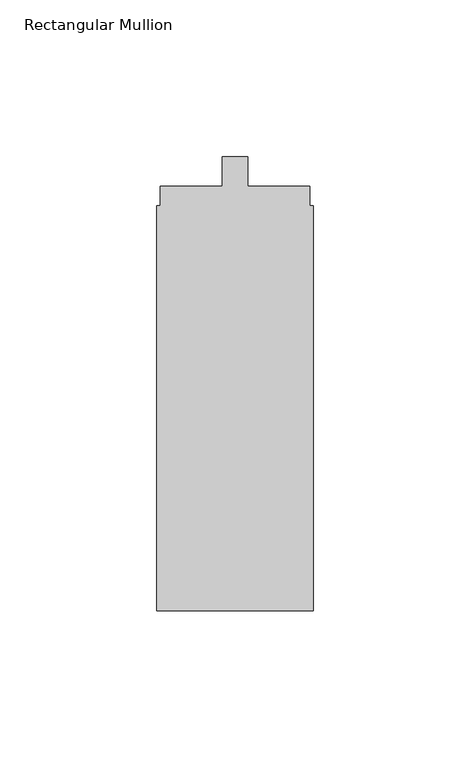
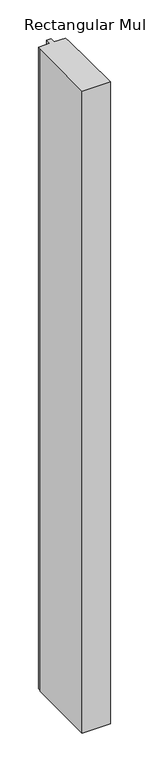
"""IFC4 building model written with IfcOpenShell, lengths in millimetres: member geometry, Rectangular Mullion."""

import ifcopenshell
import ifcopenshell.guid

model = None  # the IFC model being written
_history = None  # IfcOwnerHistory: only IFC2X3 demands one
_inside = {}  # id of a spatial element -> (the spatial element, [elements in it])
_under = {}  # id of a project, library or spatial element -> (it, [spatial elements below it])
_declared = {}  # id of a project -> (the project, [libraries it declares])
_typed = {}  # id of a type object -> (the type object, [elements of that type])
_made_of = {}  # id of a material, layer set ... -> (it, [elements and type objects made of it])


def new_model(schema):
    """Start an empty IFC model of exactly this schema.

    Asked for "IFC4X3", IfcOpenShell would pick the latest addendum, in which some entities
    have other attributes; the version numbers below select the first issue.
    IFC2X3 requires an IfcOwnerHistory on every rooted entity: one is made here for all.
    """
    global model, _history
    if schema == "IFC4X3":
        model = ifcopenshell.file(schema_version=(4, 3, 0, 0))
    else:
        model = ifcopenshell.file(schema=schema)
    _inside.clear()
    _under.clear()
    _declared.clear()
    _typed.clear()
    _made_of.clear()
    _history = None
    if model.schema == "IFC2X3":
        org = make("IfcOrganization", Name="unknown")
        user = make(
            "IfcPersonAndOrganization",
            ThePerson=make("IfcPerson", FamilyName="unknown"),
            TheOrganization=org,
        )
        app = make(
            "IfcApplication",
            ApplicationDeveloper=org,
            Version="unknown",
            ApplicationFullName="unknown",
            ApplicationIdentifier="unknown",
        )
        _history = make(
            "IfcOwnerHistory",
            OwningUser=user,
            OwningApplication=app,
            ChangeAction="ADDED",
            CreationDate=0,
        )
    return model


def make(cls, **values):
    """One entity of the class cls with the attributes given. An attribute that is None is left unset."""
    return model.create_entity(
        cls, **{name: value for name, value in values.items() if value is not None}
    )


def rooted(cls, **values):
    """An entity with a GlobalId (a new one), such as an element, a storey or a relation."""
    return make(cls, GlobalId=ifcopenshell.guid.new(), OwnerHistory=_history, **values)


def si_unit(unit_type, name, prefix=None):
    """IfcSIUnit, for example si_unit("LENGTHUNIT", "METRE", prefix="MILLI")."""
    return make("IfcSIUnit", UnitType=unit_type, Prefix=prefix, Name=name)


def assignment(units):
    """IfcUnitAssignment: the units of a project."""
    return None if units is None else make("IfcUnitAssignment", Units=units)


def point(xyz):
    """IfcCartesianPoint."""
    return None if xyz is None else make("IfcCartesianPoint", Coordinates=xyz)


def direction(xyz):
    """IfcDirection."""
    return None if xyz is None else make("IfcDirection", DirectionRatios=xyz)


def frame(location, z_axis=None, x_axis=None):
    """IfcAxis2Placement3D, a coordinate frame: its origin and axes. An axis left out is left unset."""
    return make(
        "IfcAxis2Placement3D",
        Location=point(location),
        Axis=direction(z_axis),
        RefDirection=direction(x_axis),
    )


def origin():
    """The frame at (0, 0, 0) with its axes left unset."""
    return frame((0.0, 0.0, 0.0))


def place(relative_to, where):
    """IfcLocalPlacement: puts the frame where relative to a parent placement (None: the world)."""
    return make(
        "IfcLocalPlacement", PlacementRelTo=relative_to, RelativePlacement=where
    )


def context(
    kind, dimensions, precision=None, world=None, true_north=None, identifier=None
):
    """IfcGeometricRepresentationContext, for example the 3D "Model" context."""
    return make(
        "IfcGeometricRepresentationContext",
        ContextIdentifier=identifier,
        ContextType=kind,
        CoordinateSpaceDimension=dimensions,
        Precision=precision,
        WorldCoordinateSystem=world,
        TrueNorth=true_north,
    )


def project(units=None, contexts=None):
    """IfcProject with its units and contexts."""
    return rooted(
        "IfcProject",
        Name="project",
        RepresentationContexts=contexts,
        UnitsInContext=assignment(units),
    )


def spatial(cls, under=None, at=None, **own):
    """A site, building, storey or space (cls), placed at a placement, below another one or the project."""
    s = rooted(cls, ObjectPlacement=at, **own)
    if under is not None:
        _under.setdefault(under.id(), (under, []))[1].append(s)
    return s


def polyline(points):
    """IfcPolyline through the points."""
    return make("IfcPolyline", Points=[point(p) for p in points])


def outline(outer, holes=None, kind="AREA"):
    """IfcArbitraryClosedProfileDef: a profile drawn as a closed curve; with holes, ...WithVoids."""
    if holes is None:
        return make("IfcArbitraryClosedProfileDef", ProfileType=kind, OuterCurve=outer)
    return make(
        "IfcArbitraryProfileDefWithVoids",
        ProfileType=kind,
        OuterCurve=outer,
        InnerCurves=holes,
    )


def extrude(swept, where, along, depth):
    """IfcExtrudedAreaSolid: the profile swept, set in the frame where, extruded along a direction by depth."""
    return make(
        "IfcExtrudedAreaSolid",
        SweptArea=swept,
        Position=where,
        ExtrudedDirection=direction(along),
        Depth=depth,
    )


def shape(context_of_items, identifier, shape_type, items):
    """IfcShapeRepresentation: the items that make up one representation, for example the "Body"."""
    return make(
        "IfcShapeRepresentation",
        ContextOfItems=context_of_items,
        RepresentationIdentifier=identifier,
        RepresentationType=shape_type,
        Items=items,
    )


def source(mapping_origin, context_of_items, identifier, shape_type, items):
    """IfcRepresentationMap: a shape defined once, which mapped items show again and again."""
    return make(
        "IfcRepresentationMap",
        MappingOrigin=mapping_origin,
        MappedRepresentation=shape(context_of_items, identifier, shape_type, items),
    )


def transform(
    local_origin,
    x_axis=None,
    y_axis=None,
    z_axis=None,
    scale=None,
    scale2=None,
    scale3=None,
    uniform=True,
):
    """IfcCartesianTransformationOperator3D, or its non-uniform kind. x_axis, y_axis, z_axis: its Axis1, 2, 3."""
    if uniform:
        return make(
            "IfcCartesianTransformationOperator3D",
            Axis1=direction(x_axis),
            Axis2=direction(y_axis),
            LocalOrigin=point(local_origin),
            Scale=scale,
            Axis3=direction(z_axis),
        )
    return make(
        "IfcCartesianTransformationOperator3DnonUniform",
        Axis1=direction(x_axis),
        Axis2=direction(y_axis),
        LocalOrigin=point(local_origin),
        Scale=scale,
        Axis3=direction(z_axis),
        Scale2=scale2,
        Scale3=scale3,
    )


def mapped(mapping_source, mapping_target):
    """IfcMappedItem: shows the shape of a source again, moved by a transform."""
    return make(
        "IfcMappedItem", MappingSource=mapping_source, MappingTarget=mapping_target
    )


def made_of(thing, what):
    """Note that an element or type object is made of a material, layer set ...; save() writes the relation."""
    if what is not None:
        _made_of.setdefault(what.id(), (what, []))[1].append(thing)
    return thing


def element(
    cls,
    number,
    at=None,
    inside=None,
    cuts=None,
    type_object=None,
    material=None,
    context=None,
    identifier="Body",
    shape_type=None,
    held_by="IfcProductDefinitionShape",
    body=None,
    shapes=None,
    **own,
):
    """One element of the class cls, such as IfcWall. Its Tag is "e" and its number.

    at: its placement. inside: the storey or other place that contains it. cuts: it is an
    opening in that element (IfcRelVoidsElement). A single representation is given by context,
    identifier, shape_type and body (its items); several are given by shapes. held_by: the class
    of the entity that holds the representations. save() writes the other relations.
    """
    e = rooted(cls, Tag="e%d" % number, ObjectPlacement=at, **own)
    if body is not None:
        shapes = [shape(context, identifier, shape_type, body)]
    if shapes is not None:
        e.Representation = make(held_by, Representations=shapes)
    if inside is not None:
        _inside.setdefault(inside.id(), (inside, []))[1].append(e)
    if cuts is not None:
        rooted(
            "IfcRelVoidsElement", RelatingBuildingElement=cuts, RelatedOpeningElement=e
        )
    if type_object is not None:
        _typed.setdefault(type_object.id(), (type_object, []))[1].append(e)
    return made_of(e, material)


def aggregate(whole, parts):
    """IfcRelAggregates: a whole, such as a stair, and the parts it consists of."""
    return rooted("IfcRelAggregates", RelatingObject=whole, RelatedObjects=parts)


def save(model, path):
    """Write the relations noted so far, then the file.

    IfcRelAggregates (storeys below a building ...), IfcRelContainedInSpatialStructure (elements
    in a storey), IfcRelDefinesByType, IfcRelAssociatesMaterial and IfcRelDeclares: one each for
    every whole, place, type object, material and project.
    """
    for whole, parts in _under.values():
        aggregate(whole, parts)
    for where, things in _inside.values():
        rooted(
            "IfcRelContainedInSpatialStructure",
            RelatedElements=things,
            RelatingStructure=where,
        )
    for kind, things in _typed.values():
        rooted("IfcRelDefinesByType", RelatedObjects=things, RelatingType=kind)
    for what, things in _made_of.values():
        rooted("IfcRelAssociatesMaterial", RelatedObjects=things, RelatingMaterial=what)
    for by, libraries in _declared.values():
        rooted("IfcRelDeclares", RelatingContext=by, RelatedDefinitions=libraries)
    model.write(path)


def rectangular_mullion_bc7a9d0b(model_context):
    return source(origin(), model_context, "Body", "SweptSolid", [
        extrude(outline(polyline([(-50.0, -152.3), (-50.0, -23.0), (-48.8217337, -23.0), (-48.8217337, -16.8), (-29.1, -16.8), (-29.1, -7.3), (-20.9, -7.3), (-20.9, -16.8), (-1.1, -16.8), (-1.1, -23.0), (0.0, -23.0), (0.0, -152.3), (-50.0, -152.3)])), frame((0.0, 0.0, -1200.0), z_axis=(0.0, 0.0, 1.0), x_axis=(1.0, 0.0, 0.0)), (0.0, 0.0, 1.0), 1200.0),
    ])


if __name__ == "__main__":
    model = new_model("IFC4")
    model_context = context("Model", 3, world=origin())
    ifc_project = project(units=[si_unit("LENGTHUNIT", "METRE", prefix="MILLI")], contexts=[model_context])
    site = spatial("IfcSite", under=ifc_project)
    building = spatial("IfcBuilding", under=site)
    placement = place(None, origin())
    rectangular_mullion_shape = rectangular_mullion_bc7a9d0b(model_context)
    element("IfcMember", 1, ObjectType="Rectangular Mullion", at=placement, inside=building, context=model_context, shape_type="MappedRepresentation", body=[
        mapped(rectangular_mullion_shape, transform((0.0, 0.0, 0.0), x_axis=(1.0, 0.0, 0.0), y_axis=(0.0, 1.0, 0.0), z_axis=(0.0, 0.0, 1.0))),
    ])
    save(model, "model.ifc")
